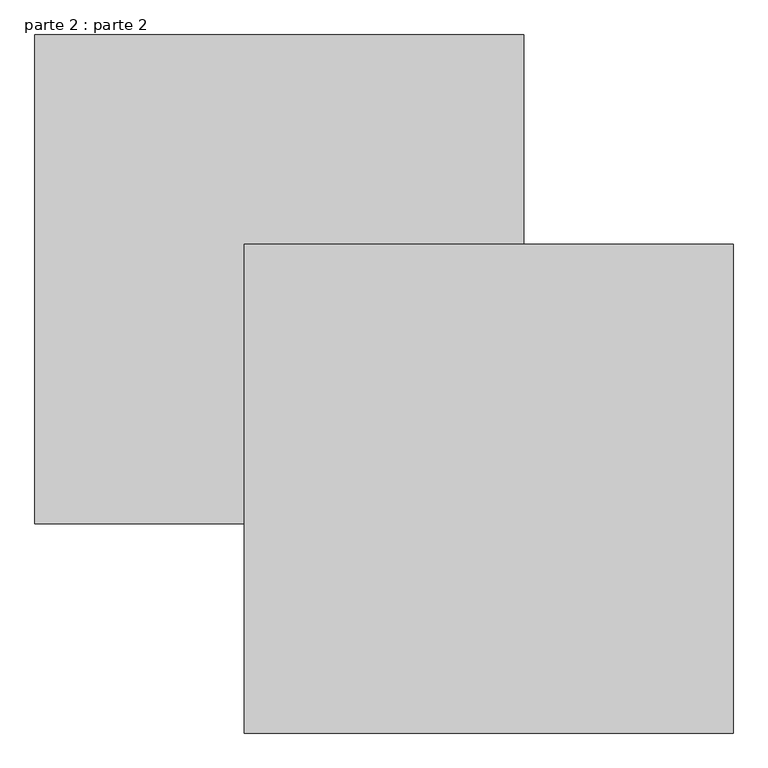
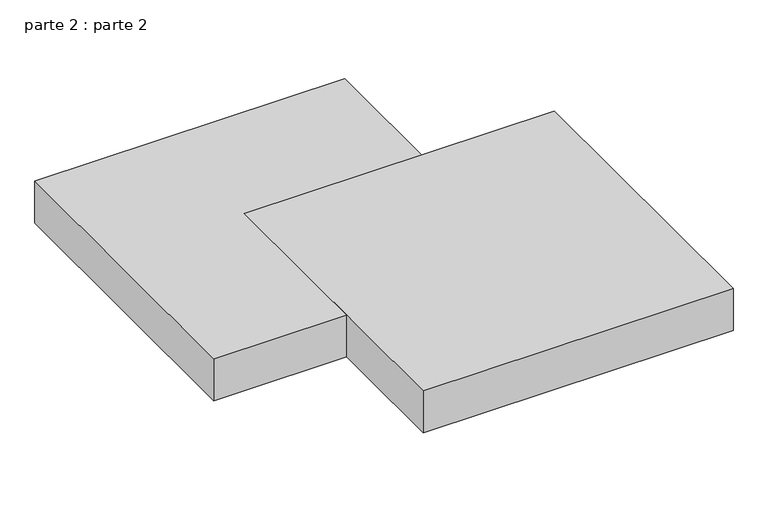
"""IFC4 building model written with IfcOpenShell, lengths in millimetres: proxy geometry, parte 2 : parte 2."""

import ifcopenshell
import ifcopenshell.guid

model = None  # the IFC model being written
_history = None  # IfcOwnerHistory: only IFC2X3 demands one
_inside = {}  # id of a spatial element -> (the spatial element, [elements in it])
_under = {}  # id of a project, library or spatial element -> (it, [spatial elements below it])
_declared = {}  # id of a project -> (the project, [libraries it declares])
_typed = {}  # id of a type object -> (the type object, [elements of that type])
_made_of = {}  # id of a material, layer set ... -> (it, [elements and type objects made of it])


def new_model(schema):
    """Start an empty IFC model of exactly this schema.

    Asked for "IFC4X3", IfcOpenShell would pick the latest addendum, in which some entities
    have other attributes; the version numbers below select the first issue.
    IFC2X3 requires an IfcOwnerHistory on every rooted entity: one is made here for all.
    """
    global model, _history
    if schema == "IFC4X3":
        model = ifcopenshell.file(schema_version=(4, 3, 0, 0))
    else:
        model = ifcopenshell.file(schema=schema)
    _inside.clear()
    _under.clear()
    _declared.clear()
    _typed.clear()
    _made_of.clear()
    _history = None
    if model.schema == "IFC2X3":
        org = make("IfcOrganization", Name="unknown")
        user = make(
            "IfcPersonAndOrganization",
            ThePerson=make("IfcPerson", FamilyName="unknown"),
            TheOrganization=org,
        )
        app = make(
            "IfcApplication",
            ApplicationDeveloper=org,
            Version="unknown",
            ApplicationFullName="unknown",
            ApplicationIdentifier="unknown",
        )
        _history = make(
            "IfcOwnerHistory",
            OwningUser=user,
            OwningApplication=app,
            ChangeAction="ADDED",
            CreationDate=0,
        )
    return model


def make(cls, **values):
    """One entity of the class cls with the attributes given. An attribute that is None is left unset."""
    return model.create_entity(
        cls, **{name: value for name, value in values.items() if value is not None}
    )


def rooted(cls, **values):
    """An entity with a GlobalId (a new one), such as an element, a storey or a relation."""
    return make(cls, GlobalId=ifcopenshell.guid.new(), OwnerHistory=_history, **values)


def si_unit(unit_type, name, prefix=None):
    """IfcSIUnit, for example si_unit("LENGTHUNIT", "METRE", prefix="MILLI")."""
    return make("IfcSIUnit", UnitType=unit_type, Prefix=prefix, Name=name)


def assignment(units):
    """IfcUnitAssignment: the units of a project."""
    return None if units is None else make("IfcUnitAssignment", Units=units)


def point(xyz):
    """IfcCartesianPoint."""
    return None if xyz is None else make("IfcCartesianPoint", Coordinates=xyz)


def direction(xyz):
    """IfcDirection."""
    return None if xyz is None else make("IfcDirection", DirectionRatios=xyz)


def frame(location, z_axis=None, x_axis=None):
    """IfcAxis2Placement3D, a coordinate frame: its origin and axes. An axis left out is left unset."""
    return make(
        "IfcAxis2Placement3D",
        Location=point(location),
        Axis=direction(z_axis),
        RefDirection=direction(x_axis),
    )


def origin():
    """The frame at (0, 0, 0) with its axes left unset."""
    return frame((0.0, 0.0, 0.0))


def place(relative_to, where):
    """IfcLocalPlacement: puts the frame where relative to a parent placement (None: the world)."""
    return make(
        "IfcLocalPlacement", PlacementRelTo=relative_to, RelativePlacement=where
    )


def context(
    kind, dimensions, precision=None, world=None, true_north=None, identifier=None
):
    """IfcGeometricRepresentationContext, for example the 3D "Model" context."""
    return make(
        "IfcGeometricRepresentationContext",
        ContextIdentifier=identifier,
        ContextType=kind,
        CoordinateSpaceDimension=dimensions,
        Precision=precision,
        WorldCoordinateSystem=world,
        TrueNorth=true_north,
    )


def project(units=None, contexts=None):
    """IfcProject with its units and contexts."""
    return rooted(
        "IfcProject",
        Name="project",
        RepresentationContexts=contexts,
        UnitsInContext=assignment(units),
    )


def spatial(cls, under=None, at=None, **own):
    """A site, building, storey or space (cls), placed at a placement, below another one or the project."""
    s = rooted(cls, ObjectPlacement=at, **own)
    if under is not None:
        _under.setdefault(under.id(), (under, []))[1].append(s)
    return s


def polyline(points):
    """IfcPolyline through the points."""
    return make("IfcPolyline", Points=[point(p) for p in points])


def outline(outer, holes=None, kind="AREA"):
    """IfcArbitraryClosedProfileDef: a profile drawn as a closed curve; with holes, ...WithVoids."""
    if holes is None:
        return make("IfcArbitraryClosedProfileDef", ProfileType=kind, OuterCurve=outer)
    return make(
        "IfcArbitraryProfileDefWithVoids",
        ProfileType=kind,
        OuterCurve=outer,
        InnerCurves=holes,
    )


def extrude(swept, where, along, depth):
    """IfcExtrudedAreaSolid: the profile swept, set in the frame where, extruded along a direction by depth."""
    return make(
        "IfcExtrudedAreaSolid",
        SweptArea=swept,
        Position=where,
        ExtrudedDirection=direction(along),
        Depth=depth,
    )


def shape(context_of_items, identifier, shape_type, items):
    """IfcShapeRepresentation: the items that make up one representation, for example the "Body"."""
    return make(
        "IfcShapeRepresentation",
        ContextOfItems=context_of_items,
        RepresentationIdentifier=identifier,
        RepresentationType=shape_type,
        Items=items,
    )


def source(mapping_origin, context_of_items, identifier, shape_type, items):
    """IfcRepresentationMap: a shape defined once, which mapped items show again and again."""
    return make(
        "IfcRepresentationMap",
        MappingOrigin=mapping_origin,
        MappedRepresentation=shape(context_of_items, identifier, shape_type, items),
    )


def transform(
    local_origin,
    x_axis=None,
    y_axis=None,
    z_axis=None,
    scale=None,
    scale2=None,
    scale3=None,
    uniform=True,
):
    """IfcCartesianTransformationOperator3D, or its non-uniform kind. x_axis, y_axis, z_axis: its Axis1, 2, 3."""
    if uniform:
        return make(
            "IfcCartesianTransformationOperator3D",
            Axis1=direction(x_axis),
            Axis2=direction(y_axis),
            LocalOrigin=point(local_origin),
            Scale=scale,
            Axis3=direction(z_axis),
        )
    return make(
        "IfcCartesianTransformationOperator3DnonUniform",
        Axis1=direction(x_axis),
        Axis2=direction(y_axis),
        LocalOrigin=point(local_origin),
        Scale=scale,
        Axis3=direction(z_axis),
        Scale2=scale2,
        Scale3=scale3,
    )


def mapped(mapping_source, mapping_target):
    """IfcMappedItem: shows the shape of a source again, moved by a transform."""
    return make(
        "IfcMappedItem", MappingSource=mapping_source, MappingTarget=mapping_target
    )


def made_of(thing, what):
    """Note that an element or type object is made of a material, layer set ...; save() writes the relation."""
    if what is not None:
        _made_of.setdefault(what.id(), (what, []))[1].append(thing)
    return thing


def element(
    cls,
    number,
    at=None,
    inside=None,
    cuts=None,
    type_object=None,
    material=None,
    context=None,
    identifier="Body",
    shape_type=None,
    held_by="IfcProductDefinitionShape",
    body=None,
    shapes=None,
    **own,
):
    """One element of the class cls, such as IfcWall. Its Tag is "e" and its number.

    at: its placement. inside: the storey or other place that contains it. cuts: it is an
    opening in that element (IfcRelVoidsElement). A single representation is given by context,
    identifier, shape_type and body (its items); several are given by shapes. held_by: the class
    of the entity that holds the representations. save() writes the other relations.
    """
    e = rooted(cls, Tag="e%d" % number, ObjectPlacement=at, **own)
    if body is not None:
        shapes = [shape(context, identifier, shape_type, body)]
    if shapes is not None:
        e.Representation = make(held_by, Representations=shapes)
    if inside is not None:
        _inside.setdefault(inside.id(), (inside, []))[1].append(e)
    if cuts is not None:
        rooted(
            "IfcRelVoidsElement", RelatingBuildingElement=cuts, RelatedOpeningElement=e
        )
    if type_object is not None:
        _typed.setdefault(type_object.id(), (type_object, []))[1].append(e)
    return made_of(e, material)


def aggregate(whole, parts):
    """IfcRelAggregates: a whole, such as a stair, and the parts it consists of."""
    return rooted("IfcRelAggregates", RelatingObject=whole, RelatedObjects=parts)


def save(model, path):
    """Write the relations noted so far, then the file.

    IfcRelAggregates (storeys below a building ...), IfcRelContainedInSpatialStructure (elements
    in a storey), IfcRelDefinesByType, IfcRelAssociatesMaterial and IfcRelDeclares: one each for
    every whole, place, type object, material and project.
    """
    for whole, parts in _under.values():
        aggregate(whole, parts)
    for where, things in _inside.values():
        rooted(
            "IfcRelContainedInSpatialStructure",
            RelatedElements=things,
            RelatingStructure=where,
        )
    for kind, things in _typed.values():
        rooted("IfcRelDefinesByType", RelatedObjects=things, RelatingType=kind)
    for what, things in _made_of.values():
        rooted("IfcRelAssociatesMaterial", RelatedObjects=things, RelatingMaterial=what)
    for by, libraries in _declared.values():
        rooted("IfcRelDeclares", RelatingContext=by, RelatedDefinitions=libraries)
    model.write(path)


def parte_2_parte_2_e65a1492(model_context):
    return source(origin(), model_context, "Body", "SweptSolid", [
        extrude(outline(polyline([(1000.0, 700.0), (1000.0, 0.0), (300.0, 0.0), (300.0, 700.0), (1000.0, 700.0)])), frame((0.0, 0.0, 1800.0), z_axis=(0.0, 0.0, 1.0), x_axis=(1.0, 0.0, 0.0)), (0.0, 0.0, 1.0), 100.0),
        extrude(outline(polyline([(700.0, 1000.0), (700.0, 300.0), (0.0, 300.0), (0.0, 1000.0), (700.0, 1000.0)])), frame((0.0, 0.0, 1800.0), z_axis=(0.0, 0.0, 1.0), x_axis=(1.0, 0.0, 0.0)), (0.0, 0.0, 1.0), 100.0),
    ])


if __name__ == "__main__":
    model = new_model("IFC4")
    model_context = context("Model", 3, world=origin())
    ifc_project = project(units=[si_unit("LENGTHUNIT", "METRE", prefix="MILLI")], contexts=[model_context])
    site = spatial("IfcSite", under=ifc_project)
    building = spatial("IfcBuilding", under=site)
    placement = place(None, origin())
    parte_2_parte_2_shape = parte_2_parte_2_e65a1492(model_context)
    element("IfcBuildingElementProxy", 1, Name="parte 2 : parte 2", ObjectType="parte 2 : parte 2", at=placement, inside=building, context=model_context, shape_type="MappedRepresentation", body=[
        mapped(parte_2_parte_2_shape, transform((0.0, 0.0, 0.0), x_axis=(1.0, 0.0, 0.0), y_axis=(0.0, 1.0, 0.0), z_axis=(0.0, 0.0, 1.0))),
    ])
    save(model, "model.ifc")
